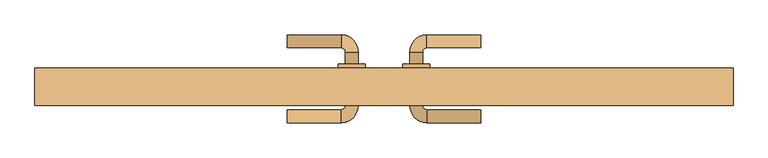
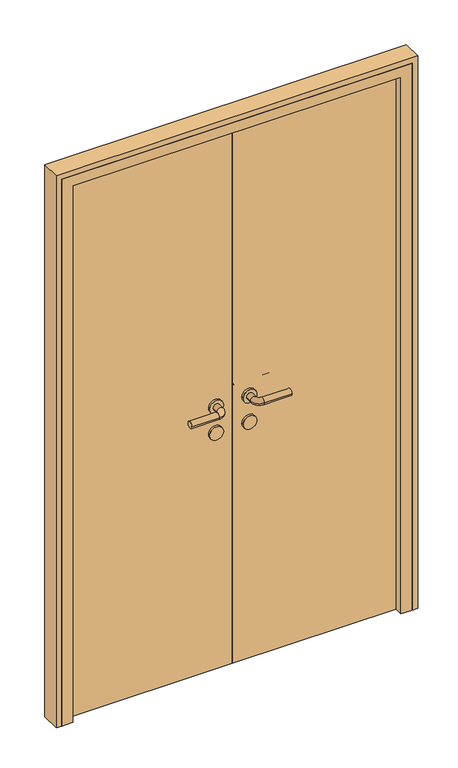
"""IFC4 building model written with IfcOpenShell, lengths in millimetres: door geometry."""

from ifc_helpers import new_model, si_unit, point, frame, frame_2d, origin, origin_with_axes, place, context, project, spatial, polyline, circle_curve, ellipse_curve, trimmed, segment, composite_curve, outline, extrude, faceted_brep, source, transform, mapped, element, save
from ifc_brep_helpers import plane_surface, cylinder_surface, revolved_surface, advanced_brep


def door_cc29d80f(model_context):
    return source(origin(), model_context, "Body", "SolidModel", [
        advanced_brep(
        [(-180.0, 122.0, 1000.0), (-180.0, 98.0, 1000.0), (-80.0, 98.0, 1000.0), (-80.0, 122.0, 1000.0), (-72.0, 90.0, 1000.0), (-48.0, 90.0, 1000.0), (-48.0, -10.0, 1000.0), (-48.0, 12.0, 1000.0), (-72.0, 12.0, 1000.0), (-72.0, -10.0, 1000.0), (-72.0, 68.0, 1000.0), (-48.0, 68.0, 1000.0), (-80.0, -18.0, 1000.0), (-80.0, -42.0, 1000.0), (-180.0, -42.0, 1000.0), (-180.0, -18.0, 1000.0), (-35.0, 68.0, 1000.0), (-85.0, 68.0, 1000.0), (-35.0, 12.0, 1000.0), (-85.0, 12.0, 1000.0)],
        [
            (0, 1, circle_curve(frame((-180.0, 110.0, 1000.0), z_axis=(-1.0, 0.0, 0.0), x_axis=(0.0, -1.0, 0.0)), 12.0)),
            (1, 0, circle_curve(frame((-180.0, 110.0, 1000.0), z_axis=(-1.0, 0.0, 0.0), x_axis=(0.0, -1.0, 0.0)), 12.0)),
            (1, 2),
            (2, 3, circle_curve(frame((-80.0, 110.0, 1000.0), z_axis=(-1.0, 0.0, 0.0), x_axis=(0.0, -1.0, 0.0)), 12.0)),
            (3, 0),
            (3, 2, circle_curve(frame((-80.0, 110.0, 1000.0), z_axis=(-1.0, 0.0, 0.0), x_axis=(0.0, -1.0, 0.0)), 12.0)),
            (2, 4, circle_curve(frame((-80.0, 90.0, 1000.0), z_axis=(0.0, 0.0, -1.0), x_axis=(0.0, 1.0, 0.0)), 8.0)),
            (4, 5, circle_curve(frame((-60.0, 90.0, 1000.0), z_axis=(0.0, 1.0, 0.0), x_axis=(-1.0, 0.0, 0.0)), 12.0)),
            (5, 3, circle_curve(frame((-80.0, 90.0, 1000.0), z_axis=(0.0, 0.0, 1.0), x_axis=(0.0, 1.0, 0.0)), 32.0)),
            (5, 4, circle_curve(frame((-60.0, 90.0, 1000.0), z_axis=(0.0, 1.0, 0.0), x_axis=(-1.0, 0.0, 0.0)), 12.0)),
            (6, 7),
            (7, 8, circle_curve(frame((-60.0, 12.0, 1000.0), z_axis=(0.0, -1.0, 0.0), x_axis=(-1.0, 0.0, 0.0)), 12.0)),
            (8, 9),
            (9, 6, circle_curve(frame((-60.0, -10.0, 1000.0), z_axis=(0.0, 1.0, 0.0), x_axis=(-1.0, 0.0, 0.0)), 12.0)),
            (4, 10),
            (10, 11, circle_curve(frame((-60.0, 68.0, 1000.0), z_axis=(0.0, 1.0, 0.0), x_axis=(-1.0, 0.0, 0.0)), 12.0)),
            (11, 5),
            (11, 10, circle_curve(frame((-60.0, 68.0, 1000.0), z_axis=(0.0, 1.0, 0.0), x_axis=(-1.0, 0.0, 0.0)), 12.0)),
            (8, 7, circle_curve(frame((-60.0, 12.0, 1000.0), z_axis=(0.0, -1.0, 0.0), x_axis=(-1.0, 0.0, 0.0)), 12.0)),
            (6, 9, circle_curve(frame((-60.0, -10.0, 1000.0), z_axis=(0.0, 1.0, 0.0), x_axis=(-1.0, 0.0, 0.0)), 12.0)),
            (9, 12, circle_curve(frame((-80.0, -10.0, 1000.0), z_axis=(0.0, 0.0, -1.0), x_axis=(1.0, 0.0, 0.0)), 8.0)),
            (12, 13, circle_curve(frame((-80.0, -30.0, 1000.0), z_axis=(1.0, 0.0, 0.0), x_axis=(0.0, 1.0, 0.0)), 12.0)),
            (13, 6, circle_curve(frame((-80.0, -10.0, 1000.0), z_axis=(0.0, 0.0, 1.0), x_axis=(1.0, 0.0, 0.0)), 32.0)),
            (13, 12, circle_curve(frame((-80.0, -30.0, 1000.0), z_axis=(1.0, 0.0, 0.0), x_axis=(0.0, 1.0, 0.0)), 12.0)),
            (14, 15, circle_curve(frame((-180.0, -30.0, 1000.0), z_axis=(-1.0, 0.0, 0.0), x_axis=(0.0, 1.0, 0.0)), 12.0)),
            (15, 14, circle_curve(frame((-180.0, -30.0, 1000.0), z_axis=(-1.0, 0.0, 0.0), x_axis=(0.0, 1.0, 0.0)), 12.0)),
            (12, 15),
            (14, 13),
            (16, 17, circle_curve(frame((-60.0, 68.0, 1000.0), z_axis=(0.0, 1.0, 0.0), x_axis=(-1.0, 0.0, 0.0)), 25.0)),
            (17, 16, circle_curve(frame((-60.0, 68.0, 1000.0), z_axis=(0.0, 1.0, 0.0), x_axis=(-1.0, 0.0, 0.0)), 25.0)),
            (18, 19, circle_curve(frame((-60.0, 12.0, 1000.0), z_axis=(0.0, -1.0, 0.0), x_axis=(-1.0, 0.0, 0.0)), 25.0)),
            (19, 18, circle_curve(frame((-60.0, 12.0, 1000.0), z_axis=(0.0, -1.0, 0.0), x_axis=(-1.0, 0.0, 0.0)), 25.0)),
            (16, 18),
            (19, 17),
        ],
        [
            plane_surface(frame((-180.0, 110.0, 1000.0), z_axis=(-1.0, 0.0, 0.0), x_axis=(0.0, 0.0, 1.0))),
            cylinder_surface(frame((-180.0, 110.0, 1000.0), z_axis=(-1.0, 0.0, 0.0), x_axis=(0.0, -1.0, 0.0)), 12.0),
            revolved_surface(trimmed(ellipse_curve(frame((-80.0, 110.0, 1000.0), z_axis=(1.0, 0.0, 0.0), x_axis=(0.0, -1.0, 0.0)), 12.0, 12.0), [point((-80.0, 122.0, 1000.0))], [point((-80.0, 98.0, 1000.0))], True, "CARTESIAN"), (-80.0, 90.0, 1000.0), (0.0, 0.0, 1.0)),
            revolved_surface(trimmed(ellipse_curve(frame((-80.0, 110.0, 1000.0), z_axis=(1.0, 0.0, 0.0), x_axis=(0.0, -1.0, 0.0)), 12.0, 12.0), [point((-80.0, 98.0, 1000.0))], [point((-80.0, 122.0, 1000.0))], True, "CARTESIAN"), (-80.0, 90.0, 1000.0), (0.0, 0.0, 1.0)),
            cylinder_surface(frame((-60.0, 90.0, 1000.0), z_axis=(0.0, 1.0, 0.0), x_axis=(-1.0, 0.0, 0.0)), 12.0),
            revolved_surface(trimmed(ellipse_curve(frame((-60.0, -10.0, 1000.0), z_axis=(0.0, -1.0, 0.0), x_axis=(-1.0, 0.0, 0.0)), 12.0, 12.0), [point((-48.0, -10.0, 1000.0))], [point((-72.0, -10.0, 1000.0))], True, "CARTESIAN"), (-80.0, -10.0, 1000.0), (0.0, 0.0, 1.0)),
            revolved_surface(trimmed(ellipse_curve(frame((-60.0, -10.0, 1000.0), z_axis=(0.0, -1.0, 0.0), x_axis=(-1.0, 0.0, 0.0)), 12.0, 12.0), [point((-72.0, -10.0, 1000.0))], [point((-48.0, -10.0, 1000.0))], True, "CARTESIAN"), (-80.0, -10.0, 1000.0), (0.0, 0.0, 1.0)),
            plane_surface(frame((-180.0, -30.0, 1000.0), z_axis=(-1.0, 0.0, 0.0), x_axis=(0.0, 0.0, 1.0))),
            cylinder_surface(frame((-80.0, -30.0, 1000.0), z_axis=(1.0, 0.0, 0.0), x_axis=(0.0, 1.0, 0.0)), 12.0),
            plane_surface(frame((-85.0, 68.0, 1000.0), z_axis=(0.0, 1.0, 0.0), x_axis=(0.0, 0.0, -1.0))),
            plane_surface(frame((-85.0, 12.0, 1000.0), z_axis=(0.0, -1.0, 0.0), x_axis=(0.0, 0.0, 1.0))),
            cylinder_surface(frame((-60.0, 68.0, 1000.0), z_axis=(0.0, -1.0, 0.0), x_axis=(-1.0, 0.0, 0.0)), 25.0),
        ],
        [
            (0, [[1, 2]]),
            (1, [[3, 4, 5, -2]]),
            (1, [[-5, 6, -3, -1]]),
            (2, [[7, 8, 9, -4]]),
            (3, [[-9, 10, -7, -6]]),
            (4, [[11, 12, 13, 14]]),
            (4, [[15, 16, 17, -8]]),
            (4, [[-17, 18, -15, -10]]),
            (4, [[-13, 19, -11, 20]]),
            (5, [[21, 22, 23, -14]]),
            (6, [[-23, 24, -21, -20]]),
            (7, [[25, 26]]),
            (8, [[27, -25, 28, -22]]),
            (8, [[-28, -26, -27, -24]]),
            (9, [[29, 30], [-18, -16]]),
            (10, [[31, 32], [-19, -12]]),
            (11, [[33, -32, 34, -29]]),
            (11, [[-34, -31, -33, -30]]),
        ],
    ),
        extrude(outline(composite_curve([segment(trimmed(circle_curve(frame_2d((900.0, -60.0)), 25.0), [point((900.0, -35.0))], [point((900.0, -85.0))], False, "CARTESIAN"), True, "CONTINUOUS"), segment(trimmed(circle_curve(frame_2d((900.0, -60.0)), 25.0), [point((900.0, -85.0))], [point((900.0, -35.0))], False, "CARTESIAN"), True, "CONTINUOUS")], self_intersect=False)), frame((0.0, 12.0, 0.0), z_axis=(0.0, 1.0, 0.0), x_axis=(0.0, 0.0, 1.0)), (0.0, 0.0, 1.0), 56.0),
        advanced_brep(
        [(180.0, 122.0, 1000.0), (180.0, 98.0, 1000.0), (80.0, 122.0, 1000.0), (80.0, 98.0, 1000.0), (48.0, 90.0, 1000.0), (72.0, 90.0, 1000.0), (48.0, 68.0, 1000.0), (72.0, 68.0, 1000.0), (48.0, -10.0, 1000.0), (72.0, -10.0, 1000.0), (72.0, 12.0, 1000.0), (48.0, 12.0, 1000.0), (80.0, -42.0, 1000.0), (80.0, -18.0, 1000.0), (180.0, -42.0, 1000.0), (180.0, -18.0, 1000.0), (35.0, 68.0, 1000.0), (85.0, 68.0, 1000.0), (35.0, 12.0, 1000.0), (85.0, 12.0, 1000.0)],
        [
            (0, 1, circle_curve(frame((180.0, 110.0, 1000.0), z_axis=(1.0, 0.0, 0.0), x_axis=(0.0, -1.0, 0.0)), 12.0)),
            (1, 0, circle_curve(frame((180.0, 110.0, 1000.0), z_axis=(1.0, 0.0, 0.0), x_axis=(0.0, -1.0, 0.0)), 12.0)),
            (0, 2),
            (2, 3, circle_curve(frame((80.0, 110.0, 1000.0), z_axis=(1.0, 0.0, 0.0), x_axis=(0.0, -1.0, 0.0)), 12.0)),
            (3, 1),
            (3, 2, circle_curve(frame((80.0, 110.0, 1000.0), z_axis=(1.0, 0.0, 0.0), x_axis=(0.0, -1.0, 0.0)), 12.0)),
            (2, 4, circle_curve(frame((80.0, 90.0, 1000.0), z_axis=(0.0, 0.0, 1.0), x_axis=(0.0, 1.0, 0.0)), 32.0)),
            (4, 5, circle_curve(frame((60.0, 90.0, 1000.0), z_axis=(0.0, 1.0, 0.0), x_axis=(1.0, 0.0, 0.0)), 12.0)),
            (5, 3, circle_curve(frame((80.0, 90.0, 1000.0), z_axis=(0.0, 0.0, -1.0), x_axis=(0.0, 1.0, 0.0)), 8.0)),
            (5, 4, circle_curve(frame((60.0, 90.0, 1000.0), z_axis=(0.0, 1.0, 0.0), x_axis=(1.0, 0.0, 0.0)), 12.0)),
            (4, 6),
            (6, 7, circle_curve(frame((60.0, 68.0, 1000.0), z_axis=(0.0, 1.0, 0.0), x_axis=(1.0, 0.0, 0.0)), 12.0)),
            (7, 5),
            (8, 9, circle_curve(frame((60.0, -10.0, 1000.0), z_axis=(0.0, 1.0, 0.0), x_axis=(1.0, 0.0, 0.0)), 12.0)),
            (9, 10),
            (10, 11, circle_curve(frame((60.0, 12.0, 1000.0), z_axis=(0.0, -1.0, 0.0), x_axis=(1.0, 0.0, 0.0)), 12.0)),
            (11, 8),
            (7, 6, circle_curve(frame((60.0, 68.0, 1000.0), z_axis=(0.0, 1.0, 0.0), x_axis=(1.0, 0.0, 0.0)), 12.0)),
            (9, 8, circle_curve(frame((60.0, -10.0, 1000.0), z_axis=(0.0, 1.0, 0.0), x_axis=(1.0, 0.0, 0.0)), 12.0)),
            (11, 10, circle_curve(frame((60.0, 12.0, 1000.0), z_axis=(0.0, -1.0, 0.0), x_axis=(1.0, 0.0, 0.0)), 12.0)),
            (8, 12, circle_curve(frame((80.0, -10.0, 1000.0), z_axis=(0.0, 0.0, 1.0), x_axis=(-1.0, 0.0, 0.0)), 32.0)),
            (12, 13, circle_curve(frame((80.0, -30.0, 1000.0), z_axis=(-1.0, 0.0, 0.0), x_axis=(0.0, 1.0, 0.0)), 12.0)),
            (13, 9, circle_curve(frame((80.0, -10.0, 1000.0), z_axis=(0.0, 0.0, -1.0), x_axis=(-1.0, 0.0, 0.0)), 8.0)),
            (13, 12, circle_curve(frame((80.0, -30.0, 1000.0), z_axis=(-1.0, 0.0, 0.0), x_axis=(0.0, 1.0, 0.0)), 12.0)),
            (14, 15, circle_curve(frame((180.0, -30.0, 1000.0), z_axis=(1.0, 0.0, 0.0), x_axis=(0.0, 1.0, 0.0)), 12.0)),
            (15, 14, circle_curve(frame((180.0, -30.0, 1000.0), z_axis=(1.0, 0.0, 0.0), x_axis=(0.0, 1.0, 0.0)), 12.0)),
            (12, 14),
            (15, 13),
            (16, 17, circle_curve(frame((60.0, 68.0, 1000.0), z_axis=(0.0, 1.0, 0.0), x_axis=(1.0, 0.0, 0.0)), 25.0)),
            (17, 16, circle_curve(frame((60.0, 68.0, 1000.0), z_axis=(0.0, 1.0, 0.0), x_axis=(1.0, 0.0, 0.0)), 25.0)),
            (18, 19, circle_curve(frame((60.0, 12.0, 1000.0), z_axis=(0.0, -1.0, 0.0), x_axis=(1.0, 0.0, 0.0)), 25.0)),
            (19, 18, circle_curve(frame((60.0, 12.0, 1000.0), z_axis=(0.0, -1.0, 0.0), x_axis=(1.0, 0.0, 0.0)), 25.0)),
            (17, 19),
            (18, 16),
        ],
        [
            plane_surface(frame((180.0, 110.0, 1000.0), z_axis=(1.0, 0.0, 0.0), x_axis=(0.0, 0.0, 1.0))),
            cylinder_surface(frame((180.0, 110.0, 1000.0), z_axis=(1.0, 0.0, 0.0), x_axis=(0.0, -1.0, 0.0)), 12.0),
            revolved_surface(trimmed(ellipse_curve(frame((80.0, 110.0, 1000.0), z_axis=(1.0, 0.0, 0.0), x_axis=(0.0, -1.0, 0.0)), 12.0, 12.0), [point((80.0, 122.0, 1000.0))], [point((80.0, 98.0, 1000.0))], True, "CARTESIAN"), (80.0, 90.0, 1000.0), (0.0, 0.0, 1.0)),
            revolved_surface(trimmed(ellipse_curve(frame((80.0, 110.0, 1000.0), z_axis=(1.0, 0.0, 0.0), x_axis=(0.0, -1.0, 0.0)), 12.0, 12.0), [point((80.0, 98.0, 1000.0))], [point((80.0, 122.0, 1000.0))], True, "CARTESIAN"), (80.0, 90.0, 1000.0), (0.0, 0.0, 1.0)),
            cylinder_surface(frame((60.0, 90.0, 1000.0), z_axis=(0.0, 1.0, 0.0), x_axis=(1.0, 0.0, 0.0)), 12.0),
            revolved_surface(trimmed(ellipse_curve(frame((60.0, -10.0, 1000.0), z_axis=(0.0, 1.0, 0.0), x_axis=(1.0, 0.0, 0.0)), 12.0, 12.0), [point((48.0, -10.0, 1000.0))], [point((72.0, -10.0, 1000.0))], True, "CARTESIAN"), (80.0, -10.0, 1000.0), (0.0, 0.0, 1.0)),
            revolved_surface(trimmed(ellipse_curve(frame((60.0, -10.0, 1000.0), z_axis=(0.0, 1.0, 0.0), x_axis=(1.0, 0.0, 0.0)), 12.0, 12.0), [point((72.0, -10.0, 1000.0))], [point((48.0, -10.0, 1000.0))], True, "CARTESIAN"), (80.0, -10.0, 1000.0), (0.0, 0.0, 1.0)),
            plane_surface(frame((180.0, -30.0, 1000.0), z_axis=(1.0, 0.0, 0.0), x_axis=(0.0, 0.0, 1.0))),
            cylinder_surface(frame((80.0, -30.0, 1000.0), z_axis=(-1.0, 0.0, 0.0), x_axis=(0.0, 1.0, 0.0)), 12.0),
            plane_surface(frame((85.0, 68.0, 1000.0), z_axis=(0.0, 1.0, 0.0), x_axis=(0.0, 0.0, -1.0))),
            plane_surface(frame((85.0, 12.0, 1000.0), z_axis=(0.0, -1.0, 0.0), x_axis=(0.0, 0.0, 1.0))),
            cylinder_surface(frame((60.0, 68.0, 1000.0), z_axis=(0.0, -1.0, 0.0), x_axis=(1.0, 0.0, 0.0)), 25.0),
        ],
        [
            (0, [[1, 2]]),
            (1, [[-1, 3, 4, 5]]),
            (1, [[-2, -5, 6, -3]]),
            (2, [[-4, 7, 8, 9]]),
            (3, [[-6, -9, 10, -7]]),
            (4, [[-8, 11, 12, 13]]),
            (4, [[14, 15, 16, 17]]),
            (4, [[-10, -13, 18, -11]]),
            (4, [[19, -17, 20, -15]]),
            (5, [[-14, 21, 22, 23]]),
            (6, [[-19, -23, 24, -21]]),
            (7, [[25, 26]]),
            (8, [[-22, 27, -26, 28]]),
            (8, [[-24, -28, -25, -27]]),
            (9, [[29, 30], [-12, -18]]),
            (10, [[31, 32], [-16, -20]]),
            (11, [[-30, 33, -31, 34]]),
            (11, [[-29, -34, -32, -33]]),
        ],
    ),
        extrude(outline(composite_curve([segment(trimmed(circle_curve(frame_2d((900.0, 60.0)), 25.0), [point((900.0, 35.0))], [point((900.0, 85.0))], False, "CARTESIAN"), True, "CONTINUOUS"), segment(trimmed(circle_curve(frame_2d((900.0, 60.0)), 25.0), [point((900.0, 85.0))], [point((900.0, 35.0))], False, "CARTESIAN"), True, "CONTINUOUS")], self_intersect=False)), frame((0.0, 12.0, 0.0), z_axis=(0.0, 1.0, 0.0), x_axis=(0.0, 0.0, 1.0)), (0.0, 0.0, 1.0), 56.0),
        extrude(outline(polyline([(0.0, 20.0), (-600.0, 20.0), (-600.0, 60.0), (0.0, 60.0), (0.0, 20.0)])), origin_with_axes(), (0.0, 0.0, 1.0), 2050.0),
        extrude(outline(polyline([(600.0, 20.0), (0.0, 20.0), (0.0, 60.0), (600.0, 60.0), (600.0, 20.0)])), origin_with_axes(), (0.0, 0.0, 1.0), 2050.0),
        extrude(outline(polyline([(0.0, 650.0), (2100.0, 650.0), (2100.0, -650.0), (0.0, -650.0), (0.0, -630.0), (2080.0, -630.0), (2080.0, 630.0), (0.0, 630.0), (0.0, 650.0)])), frame((0.0, -10.0, 0.0), z_axis=(0.0, 1.0, 0.0), x_axis=(0.0, 0.0, 1.0)), (0.0, 0.0, 1.0), 70.0),
        faceted_brep([(-630.0, -10.0, 0.0), (-630.0, 60.0, 0.0), (-600.0, 60.0, 0.0), (-600.0, 20.0, 0.0), (-590.0, 20.0, 0.0), (-590.0, -10.0, 0.0), (-630.0, -10.0, 2080.0), (-630.0, 60.0, 2080.0), (630.0, 60.0, 2080.0), (630.0, 60.0, 0.0), (600.0, 60.0, 0.0), (600.0, 60.0, 2050.0), (-600.0, 60.0, 2050.0), (-600.0, 20.0, 2050.0), (600.0, 20.0, 2050.0), (600.0, 20.0, 0.0), (590.0, 20.0, 0.0), (590.0, 20.0, 2040.0), (-590.0, 20.0, 2040.0), (-590.0, -10.0, 2040.0), (590.0, -10.0, 2040.0), (590.0, -10.0, 0.0), (630.0, -10.0, 0.0), (630.0, -10.0, 2080.0)], [[[0, 1, 2, 3, 4, 5]], [[1, 0, 6, 7]], [[2, 1, 7, 8, 9, 10, 11, 12]], [[3, 2, 12, 13]], [[4, 3, 13, 14, 15, 16, 17, 18]], [[5, 4, 18, 19]], [[0, 5, 19, 20, 21, 22, 23, 6]], [[7, 6, 23, 8]], [[13, 12, 11, 14]], [[19, 18, 17, 20]], [[22, 21, 16, 15, 10, 9]], [[8, 23, 22, 9]], [[14, 11, 10, 15]], [[20, 17, 16, 21]]]),
    ])


if __name__ == "__main__":
    model = new_model("IFC4")
    model_context = context("Model", 3, world=origin())
    ifc_project = project(units=[si_unit("LENGTHUNIT", "METRE", prefix="MILLI")], contexts=[model_context])
    site = spatial("IfcSite", under=ifc_project)
    building = spatial("IfcBuilding", under=site)
    placement = place(None, origin())
    door_shape = door_cc29d80f(model_context)
    element("IfcDoor", 1, at=placement, inside=building, context=model_context, shape_type="MappedRepresentation", body=[
        mapped(door_shape, transform((0.0, 0.0, 0.0), x_axis=(1.0, 0.0, 0.0), y_axis=(0.0, 1.0, 0.0), z_axis=(0.0, 0.0, 1.0))),
    ])
    save(model, "model.ifc")
